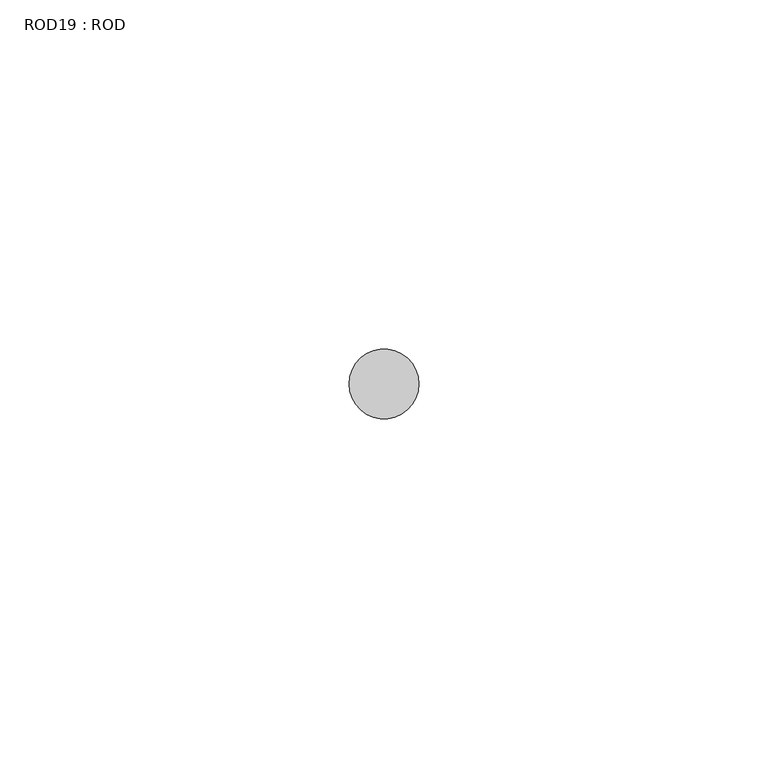
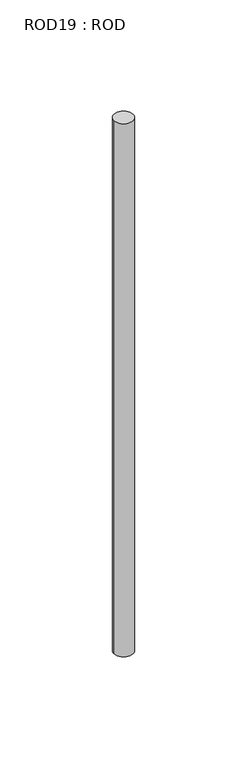
"""IFC4 building model written with IfcOpenShell, lengths in millimetres: proxy geometry, ROD19 : ROD."""

from ifc_helpers import new_model, si_unit, point, frame, frame_2d, origin, place, context, project, spatial, circle_curve, trimmed, segment, composite_curve, outline, extrude, source, transform, mapped, element, save


def rod19_rod_37208ebe(model_context):
    return source(origin(), model_context, "Body", "SweptSolid", [
        extrude(outline(composite_curve([segment(trimmed(circle_curve(frame_2d((-6167.2215616, -1114.6300853)), 5.0), [point((-6172.2215616, -1114.6300853))], [point((-6162.2215616, -1114.6300853))], False, "CARTESIAN"), True, "CONTINUOUS"), segment(trimmed(circle_curve(frame_2d((-6167.2215616, -1114.6300853)), 5.0), [point((-6162.2215616, -1114.6300853))], [point((-6172.2215616, -1114.6300853))], False, "CARTESIAN"), True, "CONTINUOUS")], self_intersect=False)), frame((0.0, 0.0, -208.6608845), z_axis=(0.0, 0.0, 1.0), x_axis=(1.0, 0.0, 0.0)), (0.0, 0.0, 1.0), 298.9028972),
    ])


if __name__ == "__main__":
    model = new_model("IFC4")
    model_context = context("Model", 3, world=origin())
    ifc_project = project(units=[si_unit("LENGTHUNIT", "METRE", prefix="MILLI")], contexts=[model_context])
    site = spatial("IfcSite", under=ifc_project)
    building = spatial("IfcBuilding", under=site)
    placement = place(None, origin())
    rod19_rod_shape = rod19_rod_37208ebe(model_context)
    element("IfcBuildingElementProxy", 1, Name="ROD19 : ROD", ObjectType="ROD19 : ROD", at=placement, inside=building, context=model_context, shape_type="MappedRepresentation", body=[
        mapped(rod19_rod_shape, transform((0.0, 0.0, 0.0), x_axis=(1.0, 0.0, 0.0), y_axis=(0.0, 1.0, 0.0), z_axis=(0.0, 0.0, 1.0))),
    ])
    save(model, "model.ifc")
